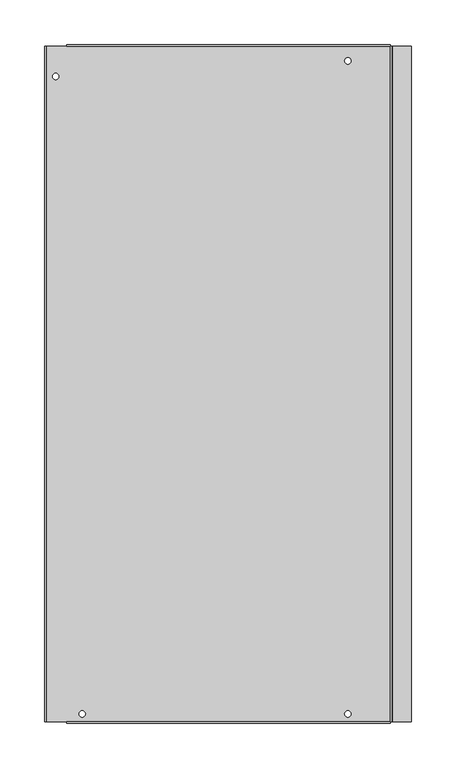
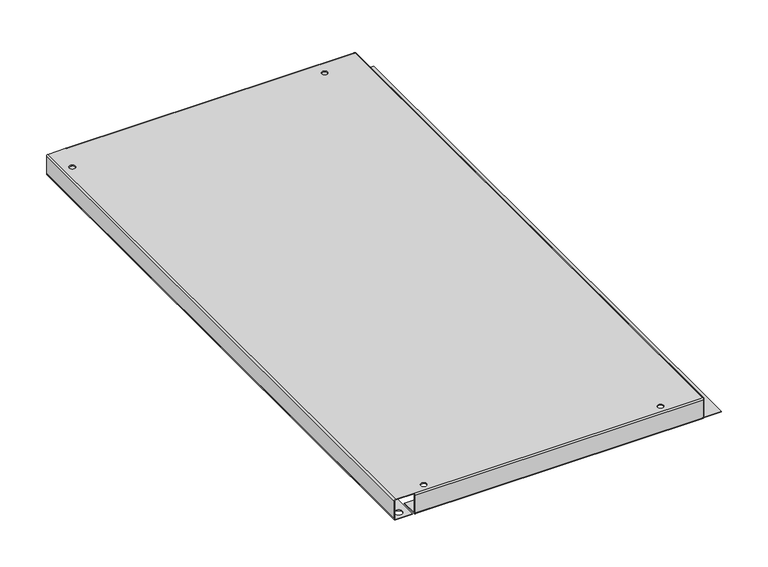
"""IFC4 building model written with IfcOpenShell, lengths in millimetres: proxy geometry."""

from ifc_helpers import new_model, si_unit, frame, origin, place, context, project, spatial, polyline, circle_curve, source, transform, mapped, element, save
from ifc_brep_helpers import plane_surface, cylinder_surface, revolved_surface, advanced_brep


def generic_models_0dce1253(model_context):
    return source(origin(), model_context, "Body", "AdvancedBrep", [
        advanced_brep(
        [(-51.3556642, 735.5776579, -26.32456), (-51.3556642, 735.5776579, -25.47112), (-58.5946642, 735.5776579, -25.47112), (-58.5946642, 735.5776579, -26.32456), (-51.3556642, 735.5776579, 0.0), (-51.3556642, 735.5776579, 0.85344), (-58.5946642, 735.5776579, 0.85344), (-58.5946642, 735.5776579, 0.0), (-349.8018542, 2.5666779, -26.32456), (-349.8018542, 2.5666779, -25.47112), (-357.0408542, 2.5666779, -25.47112), (-357.0408542, 2.5666779, -26.32456), (-349.8018542, 2.5666779, 0.0), (-349.8018542, 2.5666779, 0.85344), (-357.0408542, 2.5666779, 0.85344), (-357.0408542, 2.5666779, 0.0), (-51.3518542, 2.5666779, -26.32456), (-51.3518542, 2.5666779, -25.47112), (-58.5908542, 2.5666779, -25.47112), (-58.5908542, 2.5666779, -26.32456), (-51.3518542, 2.5666779, 0.0), (-51.3518542, 2.5666779, 0.85344), (-58.5908542, 2.5666779, 0.85344), (-58.5908542, 2.5666779, 0.0), (-379.5985942, 718.1100779, -26.32456), (-379.5985942, 718.1100779, -25.47112), (-386.8375942, 718.1100779, -25.47112), (-386.8375942, 718.1100779, -26.32456), (-379.5985942, 718.1100779, 0.0), (-379.5985942, 718.1100779, 0.85344), (-386.8375942, 718.1100779, 0.85344), (-386.8375942, 718.1100779, 0.0), (-204.7780142, 2.0459779, -25.47112), (-204.7780142, 2.0459779, -26.32456), (-195.2530142, 2.0459779, -26.32456), (-195.2530142, 2.0459779, -25.47112), (-313.9878542, 4.5859779, -25.47112), (-313.9878542, 4.5859779, -26.32456), (-304.4628542, 4.5859779, -26.32456), (-304.4628542, 4.5859779, -25.47112), (-389.5630142, 2.8892579, -25.47112), (-389.5630142, 2.8892579, -26.32456), (-380.0380142, 2.8892579, -26.32456), (-380.0380142, 2.8892579, -25.47112), (-385.9562142, 181.1134379, -25.47112), (-385.9562142, 181.1134379, -26.32456), (-376.4312142, 181.1134379, -26.32456), (-376.4312142, 181.1134379, -25.47112), (-389.5630142, 403.6631579, -25.47112), (-389.5630142, 403.6631579, -26.32456), (-380.0380142, 403.6631579, -26.32456), (-380.0380142, 403.6631579, -25.47112), (-339.6968295, 738.7399579, -25.47112), (-339.6968295, 738.7399579, -26.32456), (-330.1718295, 738.7399579, -26.32456), (-330.1718295, 738.7399579, -25.47112), (-197.4568295, 738.7399579, -25.47112), (-197.4568295, 738.7399579, -26.32456), (-187.9318295, 738.7399579, -26.32456), (-187.9318295, 738.7399579, -25.47112), (-389.5630142, 735.2601579, -25.47112), (-389.5630142, 735.2601579, -26.32456), (-380.0380142, 735.2601579, -26.32456), (-380.0380142, 735.2601579, -25.47112), (-268.5768295, 738.7399579, -25.47112), (-268.5768295, 738.7399579, -26.32456), (-259.0518295, 738.7399579, -26.32456), (-259.0518295, 738.7399579, -25.47112), (-385.9562142, 54.1134379, -25.47112), (-385.9562142, 54.1134379, -26.32456), (-376.4312142, 54.1134379, -26.32456), (-376.4312142, 54.1134379, -25.47112), (-334.3180142, 2.0459779, -25.47112), (-334.3180142, 2.0459779, -26.32456), (-324.7930142, 2.0459779, -26.32456), (-324.7930142, 2.0459779, -25.47112), (-225.0878542, 4.5859779, -25.47112), (-225.0878542, 4.5859779, -26.32456), (-215.5628542, 4.5859779, -26.32456), (-215.5628542, 4.5859779, -25.47112), (-154.3209142, -1.0477421, -25.47112), (-154.3209142, -1.0477421, -26.32456), (-144.7959142, -1.0477421, -26.32456), (-144.7959142, -1.0477421, -25.47112), (-387.0230142, 351.2502579, -25.47112), (-387.0230142, 351.2502579, -26.32456), (-377.4980142, 351.2502579, -26.32456), (-377.4980142, 351.2502579, -25.47112), (-122.9932405, -1.5196573, -26.32456), (-132.4990719, -5.4490373, -26.32456), (-132.4990719, -5.4490373, -25.47112), (-122.9932405, -1.5196573, -25.47112), (-136.1377565, 3.3535532, -26.32456), (-126.6319251, 7.2829332, -26.32456), (-126.6319251, 7.2829332, -25.47112), (-136.1377565, 3.3535532, -25.47112), (-7.1482342, -6.4249221, -26.32456), (-370.7390742, -6.4249221, -26.32456), (-370.7390742, 14.7281979, -26.32456), (-7.1482342, 14.7281979, -26.32456), (-386.8089848, 365.4926047, -26.32456), (-389.3438, 373.659886, -26.32456), (-389.3438, 373.659886, -25.47112), (-386.8089848, 365.4926047, -25.47112), (-129.6432087, 735.9899454, -26.32456), (-129.6432087, 735.9899454, -25.47112), (-129.5788551, 731.0335979, -25.47112), (-129.5788551, 731.0335979, -26.32456), (-120.0543138, 735.2576179, -26.32456), (-120.0543138, 731.0335979, -26.32456), (-120.0543138, 731.0335979, -25.47112), (-120.0543138, 735.2576179, -25.47112), (-111.8648142, 731.0335979, -26.32456), (-111.8648142, 736.1135979, -26.32456), (-111.8648142, 736.1135979, -25.47112), (-111.8648142, 731.0335979, -25.47112), (-102.3398142, 736.1135979, -26.32456), (-102.3398142, 731.0335979, -26.32456), (-102.3398142, 731.0335979, -25.47112), (-102.3398142, 736.1135979, -25.47112), (-380.2520488, 376.499848, -26.32456), (-377.7120488, 368.315968, -26.32456), (-377.7120488, 368.315968, -25.47112), (-380.2520488, 376.499848, -25.47112), (-120.1202729, 736.0474977, -26.32456), (-120.1202729, 736.0474977, -25.47112), (-7.1482342, 731.0335979, -26.32456), (-7.1482342, 731.0335979, -25.47112), (-7.1482342, 752.1867179, -25.47112), (-370.7390742, 752.1867179, -25.47112), (-370.7390742, 731.0335979, -25.47112), (-394.1070742, -6.4249221, -26.32456), (-394.1070742, 752.1867179, -26.32456), (-372.9539542, 752.1867179, -26.32456), (-372.9539542, -6.4249221, -26.32456), (-394.1070742, 752.1867179, -25.47112), (-394.1070742, -6.4249221, -25.47112), (-372.9539542, -6.4249221, -25.47112), (-372.9539542, 752.1867179, -25.47112), (-4.5879142, 752.1867179, -26.32456), (-4.5879142, -6.4249221, -26.32456), (-6.2947942, -6.4249221, -24.61768), (-6.2947942, 752.1867179, -24.61768), (-4.5879142, 752.1867179, -25.47112), (16.5652058, 752.1867179, -25.47112), (16.5652058, 752.1867179, -26.32456), (-4.5879142, -6.4249221, -25.47112), (16.5652058, -6.4249221, -25.47112), (-5.4413542, -6.4249221, -24.61768), (-5.4413542, 752.1867179, -24.61768), (16.5652058, -6.4249221, -26.32456), (-6.2947942, 752.1867179, -0.85344), (-7.1482342, 752.1867179, 0.0), (-7.1482342, 752.1867179, 0.85344), (-5.4413542, 752.1867179, -0.85344), (-6.2947942, -6.4249221, -0.85344), (-7.1482342, -8.1318021, -24.61768), (-370.7390742, -8.1318021, -24.61768), (-370.7390742, -6.4249221, -25.47112), (-370.7390742, 14.7281979, -25.47112), (-7.1482342, -6.4249221, -25.47112), (-7.1482342, 14.7281979, -25.47112), (-7.1482342, -7.2783621, -24.61768), (-370.7390742, -7.2783621, -24.61768), (-7.1482342, 752.1867179, -26.32456), (-370.7390742, 752.1867179, -26.32456), (-370.7390742, 753.8935979, -24.61768), (-7.1482342, 753.8935979, -24.61768), (-370.7390742, 753.0401579, -24.61768), (-7.1482342, 753.0401579, -24.61768), (-370.7390742, 731.0335979, -26.32456), (-395.8139542, -6.4249221, -24.61768), (-395.8139542, 752.1867179, -24.61768), (-394.9605142, -6.4249221, -24.61768), (-394.9605142, 752.1867179, -24.61768), (-370.7390742, -7.2783621, -0.85344), (-7.1482342, -7.2783621, -0.85344), (-7.1482342, 753.8935979, -0.85344), (-7.1482342, 753.0401579, -0.85344), (-370.7390742, 753.8935979, -0.85344), (-394.9605142, -6.4249221, -0.85344), (-394.1070742, -6.4249221, 0.0), (-370.7390742, -6.4249221, 0.0), (-370.7390742, -6.4249221, 0.85344), (-394.1070742, -6.4249221, 0.85344), (-395.8139542, -6.4249221, -0.85344), (-394.9605142, 752.1867179, -0.85344), (-395.8139542, 752.1867179, -0.85344), (-394.1070742, 752.1867179, 0.85344), (-370.7390742, 752.1867179, 0.85344), (-370.7390742, 752.1867179, 0.0), (-394.1070742, 752.1867179, 0.0), (-370.7390742, 753.0401579, -0.85344), (-370.7390742, -8.1318021, -0.85344), (-7.1482342, -6.4249221, 0.0), (-7.1482342, -8.1318021, -0.85344), (-7.1482342, -6.4249221, 0.85344), (-5.4413542, -6.4249221, -0.85344)],
        [
            (0, 1),
            (1, 2, circle_curve(frame((-54.9751642, 735.5776579, -25.47112), z_axis=(0.0, 0.0, 1.0), x_axis=(1.0, 0.0, 0.0)), 3.6195)),
            (2, 3),
            (3, 0, circle_curve(frame((-54.9751642, 735.5776579, -26.32456), z_axis=(0.0, 0.0, -1.0), x_axis=(1.0, 0.0, 0.0)), 3.6195)),
            (4, 5),
            (5, 6, circle_curve(frame((-54.9751642, 735.5776579, 0.85344), z_axis=(0.0, 0.0, 1.0), x_axis=(1.0, 0.0, 0.0)), 3.6195)),
            (6, 7),
            (7, 4, circle_curve(frame((-54.9751642, 735.5776579, 0.0), z_axis=(0.0, 0.0, -1.0), x_axis=(1.0, 0.0, 0.0)), 3.6195)),
            (8, 9),
            (9, 10, circle_curve(frame((-353.4213542, 2.5666779, -25.47112), z_axis=(0.0, 0.0, 1.0), x_axis=(1.0, 0.0, 0.0)), 3.6195)),
            (10, 11),
            (11, 8, circle_curve(frame((-353.4213542, 2.5666779, -26.32456), z_axis=(0.0, 0.0, -1.0), x_axis=(1.0, 0.0, 0.0)), 3.6195)),
            (12, 13),
            (13, 14, circle_curve(frame((-353.4213542, 2.5666779, 0.85344), z_axis=(0.0, 0.0, 1.0), x_axis=(1.0, 0.0, 0.0)), 3.6195)),
            (14, 15),
            (15, 12, circle_curve(frame((-353.4213542, 2.5666779, 0.0), z_axis=(0.0, 0.0, -1.0), x_axis=(1.0, 0.0, 0.0)), 3.6195)),
            (16, 17),
            (17, 18, circle_curve(frame((-54.9713542, 2.5666779, -25.47112), z_axis=(0.0, 0.0, 1.0), x_axis=(1.0, 0.0, 0.0)), 3.6195)),
            (18, 19),
            (19, 16, circle_curve(frame((-54.9713542, 2.5666779, -26.32456), z_axis=(0.0, 0.0, -1.0), x_axis=(1.0, 0.0, 0.0)), 3.6195)),
            (20, 21),
            (21, 22, circle_curve(frame((-54.9713542, 2.5666779, 0.85344), z_axis=(0.0, 0.0, 1.0), x_axis=(1.0, 0.0, 0.0)), 3.6195)),
            (22, 23),
            (23, 20, circle_curve(frame((-54.9713542, 2.5666779, 0.0), z_axis=(0.0, 0.0, -1.0), x_axis=(1.0, 0.0, 0.0)), 3.6195)),
            (24, 25),
            (25, 26, circle_curve(frame((-383.2180942, 718.1100779, -25.47112), z_axis=(0.0, 0.0, 1.0), x_axis=(1.0, 0.0, 0.0)), 3.6195)),
            (26, 27),
            (27, 24, circle_curve(frame((-383.2180942, 718.1100779, -26.32456), z_axis=(0.0, 0.0, -1.0), x_axis=(1.0, 0.0, 0.0)), 3.6195)),
            (28, 29),
            (29, 30, circle_curve(frame((-383.2180942, 718.1100779, 0.85344), z_axis=(0.0, 0.0, 1.0), x_axis=(1.0, 0.0, 0.0)), 3.6195)),
            (30, 31),
            (31, 28, circle_curve(frame((-383.2180942, 718.1100779, 0.0), z_axis=(0.0, 0.0, -1.0), x_axis=(1.0, 0.0, 0.0)), 3.6195)),
            (32, 33),
            (33, 34, circle_curve(frame((-200.0155142, 2.0459779, -26.32456), z_axis=(0.0, 0.0, -1.0), x_axis=(-1.0, 0.0, 0.0)), 4.7625)),
            (34, 35),
            (35, 32, circle_curve(frame((-200.0155142, 2.0459779, -25.47112), z_axis=(0.0, 0.0, 1.0), x_axis=(-1.0, 0.0, 0.0)), 4.7625)),
            (36, 37),
            (37, 38, circle_curve(frame((-309.2253542, 4.5859779, -26.32456), z_axis=(0.0, 0.0, -1.0), x_axis=(-1.0, 0.0, 0.0)), 4.7625)),
            (38, 39),
            (39, 36, circle_curve(frame((-309.2253542, 4.5859779, -25.47112), z_axis=(0.0, 0.0, 1.0), x_axis=(-1.0, 0.0, 0.0)), 4.7625)),
            (40, 41),
            (41, 42, circle_curve(frame((-384.8005142, 2.8892579, -26.32456), z_axis=(0.0, 0.0, -1.0), x_axis=(-1.0, 0.0, 0.0)), 4.7625)),
            (42, 43),
            (43, 40, circle_curve(frame((-384.8005142, 2.8892579, -25.47112), z_axis=(0.0, 0.0, 1.0), x_axis=(-1.0, 0.0, 0.0)), 4.7625)),
            (44, 45),
            (45, 46, circle_curve(frame((-381.1937142, 181.1134379, -26.32456), z_axis=(0.0, 0.0, -1.0), x_axis=(-1.0, 0.0, 0.0)), 4.7625)),
            (46, 47),
            (47, 44, circle_curve(frame((-381.1937142, 181.1134379, -25.47112), z_axis=(0.0, 0.0, 1.0), x_axis=(-1.0, 0.0, 0.0)), 4.7625)),
            (48, 49),
            (49, 50, circle_curve(frame((-384.8005142, 403.6631579, -26.32456), z_axis=(0.0, 0.0, -1.0), x_axis=(-1.0, 0.0, 0.0)), 4.7625)),
            (50, 51),
            (51, 48, circle_curve(frame((-384.8005142, 403.6631579, -25.47112), z_axis=(0.0, 0.0, 1.0), x_axis=(-1.0, 0.0, 0.0)), 4.7625)),
            (52, 53),
            (53, 54, circle_curve(frame((-334.9343295, 738.7399579, -26.32456), z_axis=(0.0, 0.0, -1.0), x_axis=(-1.0, 0.0, 0.0)), 4.7625)),
            (54, 55),
            (55, 52, circle_curve(frame((-334.9343295, 738.7399579, -25.47112), z_axis=(0.0, 0.0, 1.0), x_axis=(-1.0, 0.0, 0.0)), 4.7625)),
            (56, 57),
            (57, 58, circle_curve(frame((-192.6943295, 738.7399579, -26.32456), z_axis=(0.0, 0.0, -1.0), x_axis=(-1.0, 0.0, 0.0)), 4.7625)),
            (58, 59),
            (59, 56, circle_curve(frame((-192.6943295, 738.7399579, -25.47112), z_axis=(0.0, 0.0, 1.0), x_axis=(-1.0, 0.0, 0.0)), 4.7625)),
            (60, 61),
            (61, 62, circle_curve(frame((-384.8005142, 735.2601579, -26.32456), z_axis=(0.0, 0.0, -1.0), x_axis=(-1.0, 0.0, 0.0)), 4.7625)),
            (62, 63),
            (63, 60, circle_curve(frame((-384.8005142, 735.2601579, -25.47112), z_axis=(0.0, 0.0, 1.0), x_axis=(-1.0, 0.0, 0.0)), 4.7625)),
            (64, 65),
            (65, 66, circle_curve(frame((-263.8143295, 738.7399579, -26.32456), z_axis=(0.0, 0.0, -1.0), x_axis=(-1.0, 0.0, 0.0)), 4.7625)),
            (66, 67),
            (67, 64, circle_curve(frame((-263.8143295, 738.7399579, -25.47112), z_axis=(0.0, 0.0, 1.0), x_axis=(-1.0, 0.0, 0.0)), 4.7625)),
            (68, 69),
            (69, 70, circle_curve(frame((-381.1937142, 54.1134379, -26.32456), z_axis=(0.0, 0.0, -1.0), x_axis=(-1.0, 0.0, 0.0)), 4.7625)),
            (70, 71),
            (71, 68, circle_curve(frame((-381.1937142, 54.1134379, -25.47112), z_axis=(0.0, 0.0, 1.0), x_axis=(-1.0, 0.0, 0.0)), 4.7625)),
            (72, 73),
            (73, 74, circle_curve(frame((-329.5555142, 2.0459779, -26.32456), z_axis=(0.0, 0.0, -1.0), x_axis=(-1.0, 0.0, 0.0)), 4.7625)),
            (74, 75),
            (75, 72, circle_curve(frame((-329.5555142, 2.0459779, -25.47112), z_axis=(0.0, 0.0, 1.0), x_axis=(-1.0, 0.0, 0.0)), 4.7625)),
            (76, 77),
            (77, 78, circle_curve(frame((-220.3253542, 4.5859779, -26.32456), z_axis=(0.0, 0.0, -1.0), x_axis=(-1.0, 0.0, 0.0)), 4.7625)),
            (78, 79),
            (79, 76, circle_curve(frame((-220.3253542, 4.5859779, -25.47112), z_axis=(0.0, 0.0, 1.0), x_axis=(-1.0, 0.0, 0.0)), 4.7625)),
            (80, 81),
            (81, 82, circle_curve(frame((-149.5584142, -1.0477421, -26.32456), z_axis=(0.0, 0.0, -1.0), x_axis=(-1.0, 0.0, 0.0)), 4.7625)),
            (82, 83),
            (83, 80, circle_curve(frame((-149.5584142, -1.0477421, -25.47112), z_axis=(0.0, 0.0, 1.0), x_axis=(-1.0, 0.0, 0.0)), 4.7625)),
            (84, 85),
            (85, 86, circle_curve(frame((-382.2605142, 351.2502579, -26.32456), z_axis=(0.0, 0.0, -1.0), x_axis=(-1.0, 0.0, 0.0)), 4.7625)),
            (86, 87),
            (87, 84, circle_curve(frame((-382.2605142, 351.2502579, -25.47112), z_axis=(0.0, 0.0, 1.0), x_axis=(-1.0, 0.0, 0.0)), 4.7625)),
            (84, 87, circle_curve(frame((-382.2605142, 351.2502579, -25.47112), z_axis=(0.0, 0.0, 1.0), x_axis=(-1.0, 0.0, 0.0)), 4.7625)),
            (86, 85, circle_curve(frame((-382.2605142, 351.2502579, -26.32456), z_axis=(0.0, 0.0, -1.0), x_axis=(-1.0, 0.0, 0.0)), 4.7625)),
            (88, 89),
            (89, 90),
            (90, 91),
            (91, 88),
            (92, 93),
            (93, 94),
            (94, 95),
            (95, 92),
            (96, 97),
            (97, 98),
            (98, 99),
            (99, 96),
            (92, 89, circle_curve(frame((-134.3184142, -1.0477421, -26.32456), z_axis=(0.0, 0.0, 1.0), x_axis=(-1.0, 0.0, 0.0)), 4.7625)),
            (88, 93, circle_curve(frame((-124.8125828, 2.8816379, -26.32456), z_axis=(0.0, 0.0, 1.0), x_axis=(0.9241564797392856, 0.3820141371152269, 0.0)), 4.7625)),
            (11, 8, circle_curve(frame((-353.4213542, 2.5666779, -26.32456), z_axis=(0.0, 0.0, 1.0), x_axis=(1.0, 0.0, 0.0)), 3.6195)),
            (19, 16, circle_curve(frame((-54.9713542, 2.5666779, -26.32456), z_axis=(0.0, 0.0, 1.0), x_axis=(1.0, 0.0, 0.0)), 3.6195)),
            (33, 34, circle_curve(frame((-200.0155142, 2.0459779, -26.32456), z_axis=(0.0, 0.0, 1.0), x_axis=(-1.0, 0.0, 0.0)), 4.7625)),
            (37, 38, circle_curve(frame((-309.2253542, 4.5859779, -26.32456), z_axis=(0.0, 0.0, 1.0), x_axis=(-1.0, 0.0, 0.0)), 4.7625)),
            (73, 74, circle_curve(frame((-329.5555142, 2.0459779, -26.32456), z_axis=(0.0, 0.0, 1.0), x_axis=(-1.0, 0.0, 0.0)), 4.7625)),
            (77, 78, circle_curve(frame((-220.3253542, 4.5859779, -26.32456), z_axis=(0.0, 0.0, 1.0), x_axis=(-1.0, 0.0, 0.0)), 4.7625)),
            (81, 82, circle_curve(frame((-149.5584142, -1.0477421, -26.32456), z_axis=(0.0, 0.0, 1.0), x_axis=(-1.0, 0.0, 0.0)), 4.7625)),
            (95, 90, circle_curve(frame((-134.3184142, -1.0477421, -25.47112), z_axis=(0.0, 0.0, 1.0), x_axis=(-1.0, 0.0, 0.0)), 4.7625)),
            (100, 101),
            (101, 102),
            (102, 103),
            (103, 100),
            (104, 105),
            (105, 106),
            (106, 107),
            (107, 104),
            (108, 109),
            (109, 110),
            (110, 111),
            (111, 108),
            (112, 113),
            (113, 114),
            (114, 115),
            (115, 112),
            (116, 117),
            (117, 118),
            (118, 119),
            (119, 116),
            (120, 121),
            (121, 122),
            (122, 123),
            (123, 120),
            (104, 124, circle_curve(frame((-124.8823142, 736.1135979, -26.32456), z_axis=(0.0, 0.0, -1.0), x_axis=(-0.006043428876020268, 0.9999817383169658, 0.0)), 4.7625)),
            (124, 125),
            (125, 105, circle_curve(frame((-124.8823142, 736.1135979, -25.47112), z_axis=(0.0, 0.0, 1.0), x_axis=(-0.006043428876020268, 0.9999817383169658, 0.0)), 4.7625)),
            (117, 126),
            (126, 127),
            (127, 118),
            (119, 114, circle_curve(frame((-107.1023142, 736.1135979, -25.47112), z_axis=(0.0, 0.0, 1.0), x_axis=(-1.0, 0.0, 0.0)), 4.7625)),
            (113, 116, circle_curve(frame((-107.1023142, 736.1135979, -26.32456), z_axis=(0.0, 0.0, -1.0), x_axis=(-1.0, 0.0, 0.0)), 4.7625)),
            (125, 111, circle_curve(frame((-124.8168138, 735.2576179, -25.47112), z_axis=(0.0, 0.0, -1.0), x_axis=(-1.0, 0.0, 0.0)), 4.7625)),
            (110, 115),
            (127, 128),
            (128, 129),
            (129, 130),
            (130, 106),
            (1, 2, circle_curve(frame((-54.9751642, 735.5776579, -25.47112), z_axis=(0.0, 0.0, -1.0), x_axis=(1.0, 0.0, 0.0)), 3.6195)),
            (55, 52, circle_curve(frame((-334.9343295, 738.7399579, -25.47112), z_axis=(0.0, 0.0, -1.0), x_axis=(-1.0, 0.0, 0.0)), 4.7625)),
            (59, 56, circle_curve(frame((-192.6943295, 738.7399579, -25.47112), z_axis=(0.0, 0.0, -1.0), x_axis=(-1.0, 0.0, 0.0)), 4.7625)),
            (67, 64, circle_curve(frame((-263.8143295, 738.7399579, -25.47112), z_axis=(0.0, 0.0, -1.0), x_axis=(-1.0, 0.0, 0.0)), 4.7625)),
            (131, 132),
            (132, 133),
            (133, 134),
            (134, 131),
            (100, 121, circle_curve(frame((-382.2605142, 366.9042779, -26.32456), z_axis=(0.0, 0.0, 1.0), x_axis=(0.29641609223324233, -0.9550588988461257, 0.0)), 4.7625)),
            (120, 101, circle_curve(frame((-384.8005142, 375.0881579, -26.32456), z_axis=(0.0, 0.0, 1.0), x_axis=(-1.0, 0.0, 0.0)), 4.7625)),
            (27, 24, circle_curve(frame((-383.2180942, 718.1100779, -26.32456), z_axis=(0.0, 0.0, 1.0), x_axis=(1.0, 0.0, 0.0)), 3.6195)),
            (41, 42, circle_curve(frame((-384.8005142, 2.8892579, -26.32456), z_axis=(0.0, 0.0, 1.0), x_axis=(-1.0, 0.0, 0.0)), 4.7625)),
            (45, 46, circle_curve(frame((-381.1937142, 181.1134379, -26.32456), z_axis=(0.0, 0.0, 1.0), x_axis=(-1.0, 0.0, 0.0)), 4.7625)),
            (49, 50, circle_curve(frame((-384.8005142, 403.6631579, -26.32456), z_axis=(0.0, 0.0, 1.0), x_axis=(-1.0, 0.0, 0.0)), 4.7625)),
            (61, 62, circle_curve(frame((-384.8005142, 735.2601579, -26.32456), z_axis=(0.0, 0.0, 1.0), x_axis=(-1.0, 0.0, 0.0)), 4.7625)),
            (69, 70, circle_curve(frame((-381.1937142, 54.1134379, -26.32456), z_axis=(0.0, 0.0, 1.0), x_axis=(-1.0, 0.0, 0.0)), 4.7625)),
            (135, 136),
            (136, 137),
            (137, 138),
            (138, 135),
            (25, 26, circle_curve(frame((-383.2180942, 718.1100779, -25.47112), z_axis=(0.0, 0.0, -1.0), x_axis=(1.0, 0.0, 0.0)), 3.6195)),
            (43, 40, circle_curve(frame((-384.8005142, 2.8892579, -25.47112), z_axis=(0.0, 0.0, -1.0), x_axis=(-1.0, 0.0, 0.0)), 4.7625)),
            (47, 44, circle_curve(frame((-381.1937142, 181.1134379, -25.47112), z_axis=(0.0, 0.0, -1.0), x_axis=(-1.0, 0.0, 0.0)), 4.7625)),
            (51, 48, circle_curve(frame((-384.8005142, 403.6631579, -25.47112), z_axis=(0.0, 0.0, -1.0), x_axis=(-1.0, 0.0, 0.0)), 4.7625)),
            (63, 60, circle_curve(frame((-384.8005142, 735.2601579, -25.47112), z_axis=(0.0, 0.0, -1.0), x_axis=(-1.0, 0.0, 0.0)), 4.7625)),
            (71, 68, circle_curve(frame((-381.1937142, 54.1134379, -25.47112), z_axis=(0.0, 0.0, -1.0), x_axis=(-1.0, 0.0, 0.0)), 4.7625)),
            (102, 123, circle_curve(frame((-384.8005142, 375.0881579, -25.47112), z_axis=(0.0, 0.0, -1.0), x_axis=(-1.0, 0.0, 0.0)), 4.7625)),
            (122, 103, circle_curve(frame((-382.2605142, 366.9042779, -25.47112), z_axis=(0.0, 0.0, -1.0), x_axis=(0.29641609223324233, -0.9550588988461257, 0.0)), 4.7625)),
            (91, 94, circle_curve(frame((-124.8125828, 2.8816379, -25.47112), z_axis=(0.0, 0.0, 1.0), x_axis=(0.9241564797392856, 0.3820141371152269, 0.0)), 4.7625)),
            (124, 108, circle_curve(frame((-124.8168138, 735.2576179, -26.32456), z_axis=(0.0, 0.0, -1.0), x_axis=(-1.0, 0.0, 0.0)), 4.7625)),
            (109, 112),
            (80, 83, circle_curve(frame((-149.5584142, -1.0477421, -25.47112), z_axis=(0.0, 0.0, 1.0), x_axis=(-1.0, 0.0, 0.0)), 4.7625)),
            (76, 79, circle_curve(frame((-220.3253542, 4.5859779, -25.47112), z_axis=(0.0, 0.0, 1.0), x_axis=(-1.0, 0.0, 0.0)), 4.7625)),
            (72, 75, circle_curve(frame((-329.5555142, 2.0459779, -25.47112), z_axis=(0.0, 0.0, 1.0), x_axis=(-1.0, 0.0, 0.0)), 4.7625)),
            (66, 65, circle_curve(frame((-263.8143295, 738.7399579, -26.32456), z_axis=(0.0, 0.0, -1.0), x_axis=(-1.0, 0.0, 0.0)), 4.7625)),
            (58, 57, circle_curve(frame((-192.6943295, 738.7399579, -26.32456), z_axis=(0.0, 0.0, -1.0), x_axis=(-1.0, 0.0, 0.0)), 4.7625)),
            (54, 53, circle_curve(frame((-334.9343295, 738.7399579, -26.32456), z_axis=(0.0, 0.0, -1.0), x_axis=(-1.0, 0.0, 0.0)), 4.7625)),
            (36, 39, circle_curve(frame((-309.2253542, 4.5859779, -25.47112), z_axis=(0.0, 0.0, 1.0), x_axis=(-1.0, 0.0, 0.0)), 4.7625)),
            (32, 35, circle_curve(frame((-200.0155142, 2.0459779, -25.47112), z_axis=(0.0, 0.0, 1.0), x_axis=(-1.0, 0.0, 0.0)), 4.7625)),
            (28, 31, circle_curve(frame((-383.2180942, 718.1100779, 0.0), z_axis=(0.0, 0.0, -1.0), x_axis=(1.0, 0.0, 0.0)), 3.6195)),
            (30, 29, circle_curve(frame((-383.2180942, 718.1100779, 0.85344), z_axis=(0.0, 0.0, 1.0), x_axis=(1.0, 0.0, 0.0)), 3.6195)),
            (20, 23, circle_curve(frame((-54.9713542, 2.5666779, 0.0), z_axis=(0.0, 0.0, -1.0), x_axis=(1.0, 0.0, 0.0)), 3.6195)),
            (22, 21, circle_curve(frame((-54.9713542, 2.5666779, 0.85344), z_axis=(0.0, 0.0, 1.0), x_axis=(1.0, 0.0, 0.0)), 3.6195)),
            (18, 17, circle_curve(frame((-54.9713542, 2.5666779, -25.47112), z_axis=(0.0, 0.0, 1.0), x_axis=(1.0, 0.0, 0.0)), 3.6195)),
            (12, 15, circle_curve(frame((-353.4213542, 2.5666779, 0.0), z_axis=(0.0, 0.0, -1.0), x_axis=(1.0, 0.0, 0.0)), 3.6195)),
            (14, 13, circle_curve(frame((-353.4213542, 2.5666779, 0.85344), z_axis=(0.0, 0.0, 1.0), x_axis=(1.0, 0.0, 0.0)), 3.6195)),
            (10, 9, circle_curve(frame((-353.4213542, 2.5666779, -25.47112), z_axis=(0.0, 0.0, 1.0), x_axis=(1.0, 0.0, 0.0)), 3.6195)),
            (4, 7, circle_curve(frame((-54.9751642, 735.5776579, 0.0), z_axis=(0.0, 0.0, -1.0), x_axis=(1.0, 0.0, 0.0)), 3.6195)),
            (6, 5, circle_curve(frame((-54.9751642, 735.5776579, 0.85344), z_axis=(0.0, 0.0, 1.0), x_axis=(1.0, 0.0, 0.0)), 3.6195)),
            (0, 3, circle_curve(frame((-54.9751642, 735.5776579, -26.32456), z_axis=(0.0, 0.0, -1.0), x_axis=(1.0, 0.0, 0.0)), 3.6195)),
            (139, 140),
            (140, 141, circle_curve(frame((-4.5879142, -6.4249221, -24.61768), z_axis=(0.0, 1.0, 0.0), x_axis=(-1.0, 0.0, 0.0)), 1.70688)),
            (141, 142),
            (142, 139, circle_curve(frame((-4.5879142, 752.1867179, -24.61768), z_axis=(0.0, -1.0, 0.0), x_axis=(-1.0, 0.0, 0.0)), 1.70688)),
            (139, 143),
            (143, 144),
            (144, 145),
            (145, 139),
            (143, 146),
            (146, 147),
            (147, 144),
            (140, 146),
            (146, 148, circle_curve(frame((-4.5879142, -6.4249221, -24.61768), z_axis=(0.0, 1.0, 0.0), x_axis=(-1.0, 0.0, 0.0)), 0.85344)),
            (148, 141),
            (142, 149),
            (149, 143, circle_curve(frame((-4.5879142, 752.1867179, -24.61768), z_axis=(0.0, -1.0, 0.0), x_axis=(-1.0, 0.0, 0.0)), 0.85344)),
            (140, 150),
            (150, 147),
            (150, 145),
            (149, 148),
            (142, 151),
            (151, 152, circle_curve(frame((-7.1482342, 752.1867179, -0.85344), z_axis=(0.0, -1.0, 0.0), x_axis=(0.0, 0.0, 1.0)), 0.85344)),
            (152, 153),
            (153, 154, circle_curve(frame((-7.1482342, 752.1867179, -0.85344), z_axis=(0.0, 1.0, 0.0), x_axis=(0.0, 0.0, 1.0)), 1.70688)),
            (154, 149),
            (141, 155),
            (155, 151),
            (96, 156, circle_curve(frame((-7.1482342, -6.4249221, -24.61768), z_axis=(-1.0, 0.0, 0.0), x_axis=(0.0, -1.0, 0.0)), 1.70688)),
            (156, 157),
            (157, 97, circle_curve(frame((-370.7390742, -6.4249221, -24.61768), z_axis=(1.0, 0.0, 0.0), x_axis=(0.0, -1.0, 0.0)), 1.70688)),
            (97, 158),
            (158, 159),
            (159, 98),
            (158, 160),
            (160, 161),
            (161, 159),
            (96, 160),
            (160, 162, circle_curve(frame((-7.1482342, -6.4249221, -24.61768), z_axis=(-1.0, 0.0, 0.0), x_axis=(0.0, -1.0, 0.0)), 0.85344)),
            (162, 156),
            (157, 163),
            (163, 158, circle_curve(frame((-370.7390742, -6.4249221, -24.61768), z_axis=(1.0, 0.0, 0.0), x_axis=(0.0, -1.0, 0.0)), 0.85344)),
            (99, 161),
            (163, 162),
            (164, 165),
            (165, 166, circle_curve(frame((-370.7390742, 752.1867179, -24.61768), z_axis=(1.0, 0.0, 0.0), x_axis=(0.0, 1.0, 0.0)), 1.70688)),
            (166, 167),
            (167, 164, circle_curve(frame((-7.1482342, 752.1867179, -24.61768), z_axis=(-1.0, 0.0, 0.0), x_axis=(0.0, 1.0, 0.0)), 1.70688)),
            (164, 128),
            (126, 164),
            (165, 129),
            (129, 168, circle_curve(frame((-370.7390742, 752.1867179, -24.61768), z_axis=(1.0, 0.0, 0.0), x_axis=(0.0, 1.0, 0.0)), 0.85344)),
            (168, 166),
            (167, 169),
            (169, 128, circle_curve(frame((-7.1482342, 752.1867179, -24.61768), z_axis=(-1.0, 0.0, 0.0), x_axis=(0.0, 1.0, 0.0)), 0.85344)),
            (165, 170),
            (170, 130),
            (170, 107),
            (169, 168),
            (131, 171, circle_curve(frame((-394.1070742, -6.4249221, -24.61768), z_axis=(0.0, 1.0, 0.0), x_axis=(-1.0, 0.0, 0.0)), 1.70688)),
            (171, 172),
            (172, 132, circle_curve(frame((-394.1070742, 752.1867179, -24.61768), z_axis=(0.0, -1.0, 0.0), x_axis=(-1.0, 0.0, 0.0)), 1.70688)),
            (132, 135),
            (138, 133),
            (131, 136),
            (136, 173, circle_curve(frame((-394.1070742, -6.4249221, -24.61768), z_axis=(0.0, 1.0, 0.0), x_axis=(-1.0, 0.0, 0.0)), 0.85344)),
            (173, 171),
            (172, 174),
            (174, 135, circle_curve(frame((-394.1070742, 752.1867179, -24.61768), z_axis=(0.0, -1.0, 0.0), x_axis=(-1.0, 0.0, 0.0)), 0.85344)),
            (134, 137),
            (174, 173),
            (163, 175),
            (175, 176),
            (176, 162),
            (167, 177),
            (177, 178),
            (178, 169),
            (166, 179),
            (179, 177),
            (173, 180),
            (180, 181, circle_curve(frame((-394.1070742, -6.4249221, -0.85344), z_axis=(0.0, 1.0, 0.0), x_axis=(0.0, 0.0, 1.0)), 0.85344)),
            (181, 182),
            (182, 183),
            (183, 184),
            (184, 185, circle_curve(frame((-394.1070742, -6.4249221, -0.85344), z_axis=(0.0, -1.0, 0.0), x_axis=(0.0, 0.0, 1.0)), 1.70688)),
            (185, 171),
            (174, 186),
            (186, 180),
            (172, 187),
            (187, 188, circle_curve(frame((-394.1070742, 752.1867179, -0.85344), z_axis=(0.0, 1.0, 0.0), x_axis=(0.0, 0.0, 1.0)), 1.70688)),
            (188, 189),
            (189, 190),
            (190, 191),
            (191, 186, circle_curve(frame((-394.1070742, 752.1867179, -0.85344), z_axis=(0.0, -1.0, 0.0), x_axis=(0.0, 0.0, 1.0)), 0.85344)),
            (168, 192),
            (192, 190, circle_curve(frame((-370.7390742, 752.1867179, -0.85344), z_axis=(1.0, 0.0, 0.0), x_axis=(0.0, 0.0, 1.0)), 0.85344)),
            (189, 179, circle_curve(frame((-370.7390742, 752.1867179, -0.85344), z_axis=(-1.0, 0.0, 0.0), x_axis=(0.0, 0.0, 1.0)), 1.70688)),
            (157, 193),
            (193, 183, circle_curve(frame((-370.7390742, -6.4249221, -0.85344), z_axis=(-1.0, 0.0, 0.0), x_axis=(0.0, 0.0, 1.0)), 1.70688)),
            (182, 175, circle_curve(frame((-370.7390742, -6.4249221, -0.85344), z_axis=(1.0, 0.0, 0.0), x_axis=(0.0, 0.0, 1.0)), 0.85344)),
            (189, 153),
            (153, 177, circle_curve(frame((-7.1482342, 752.1867179, -0.85344), z_axis=(-1.0, 0.0, 0.0), x_axis=(0.0, 0.0, 1.0)), 1.70688)),
            (182, 194),
            (194, 176, circle_curve(frame((-7.1482342, -6.4249221, -0.85344), z_axis=(1.0, 0.0, 0.0), x_axis=(0.0, 0.0, 1.0)), 0.85344)),
            (193, 195),
            (195, 196, circle_curve(frame((-7.1482342, -6.4249221, -0.85344), z_axis=(-1.0, 0.0, 0.0), x_axis=(0.0, 0.0, 1.0)), 1.70688)),
            (196, 183),
            (195, 176),
            (194, 196),
            (195, 156),
            (178, 192),
            (152, 178, circle_curve(frame((-7.1482342, 752.1867179, -0.85344), z_axis=(-1.0, 0.0, 0.0), x_axis=(0.0, 0.0, 1.0)), 0.85344)),
            (152, 190),
            (184, 188),
            (187, 185),
            (155, 194, circle_curve(frame((-7.1482342, -6.4249221, -0.85344), z_axis=(0.0, -1.0, 0.0), x_axis=(0.0, 0.0, 1.0)), 0.85344)),
            (194, 152),
            (196, 197, circle_curve(frame((-7.1482342, -6.4249221, -0.85344), z_axis=(0.0, 1.0, 0.0), x_axis=(0.0, 0.0, 1.0)), 1.70688)),
            (197, 154),
            (153, 196),
            (191, 181),
            (148, 197),
        ],
        [
            revolved_surface(polyline([(-51.3556642, 735.5776579, -25.47112000000004), (-51.3556642, 735.5776579, -26.32456000000002)]), (-54.9751642, 735.5776579, -866.0248245), (0.0, 0.0, 1.0)),
            revolved_surface(polyline([(-51.3556642, 735.5776579, 0.8534399999999778), (-51.3556642, 735.5776579, 0.0)]), (-54.9751642, 735.5776579, -866.0248245), (0.0, 0.0, 1.0)),
            revolved_surface(polyline([(-349.8018542, 2.5666779, -25.47112000000004), (-349.8018542, 2.5666779, -26.32456000000002)]), (-353.4213542, 2.5666779, -866.0248245), (0.0, 0.0, 1.0)),
            revolved_surface(polyline([(-349.8018542, 2.5666779, 0.8534399999999778), (-349.8018542, 2.5666779, 0.0)]), (-353.4213542, 2.5666779, -866.0248245), (0.0, 0.0, 1.0)),
            revolved_surface(polyline([(-51.3518542, 2.5666779, -25.47112000000004), (-51.3518542, 2.5666779, -26.32456000000002)]), (-54.9713542, 2.5666779, -866.0248245), (0.0, 0.0, 1.0)),
            revolved_surface(polyline([(-51.3518542, 2.5666779, 0.8534399999999778), (-51.3518542, 2.5666779, 0.0)]), (-54.9713542, 2.5666779, -866.0248245), (0.0, 0.0, 1.0)),
            revolved_surface(polyline([(-379.5985942, 718.1100779, -25.47112000000004), (-379.5985942, 718.1100779, -26.32456000000002)]), (-383.2180942, 718.1100779, -866.0248245), (0.0, 0.0, 1.0)),
            revolved_surface(polyline([(-379.5985942, 718.1100779, 0.8534399999999778), (-379.5985942, 718.1100779, 0.0)]), (-383.2180942, 718.1100779, -866.0248245), (0.0, 0.0, 1.0)),
            revolved_surface(polyline([(-204.7780142, 2.0459779, -26.32456), (-204.7780142, 2.0459779, -25.47112)]), (-200.0155142, 2.0459779, -25.89784), (0.0, 0.0, -1.0)),
            revolved_surface(polyline([(-313.9878542, 4.5859779, -26.32456), (-313.9878542, 4.5859779, -25.47112)]), (-309.2253542, 4.5859779, -25.89784), (0.0, 0.0, -1.0)),
            revolved_surface(polyline([(-389.5630142, 2.8892579, -26.32456), (-389.5630142, 2.8892579, -25.47112)]), (-384.8005142, 2.8892579, -25.89784), (0.0, 0.0, -1.0)),
            revolved_surface(polyline([(-385.9562142, 181.1134379, -26.32456), (-385.9562142, 181.1134379, -25.47112)]), (-381.1937142, 181.1134379, -25.89784), (0.0, 0.0, -1.0)),
            revolved_surface(polyline([(-389.5630142, 403.6631579, -26.32456), (-389.5630142, 403.6631579, -25.47112)]), (-384.8005142, 403.6631579, -25.89784), (0.0, 0.0, -1.0)),
            revolved_surface(polyline([(-339.6968295, 738.7399579, -26.32456), (-339.6968295, 738.7399579, -25.47112)]), (-334.9343295, 738.7399579, -25.89784), (0.0, 0.0, -1.0)),
            revolved_surface(polyline([(-197.4568295, 738.7399579, -26.32456), (-197.4568295, 738.7399579, -25.47112)]), (-192.6943295, 738.7399579, -25.89784), (0.0, 0.0, -1.0)),
            revolved_surface(polyline([(-389.5630142, 735.2601579, -26.32456), (-389.5630142, 735.2601579, -25.47112)]), (-384.8005142, 735.2601579, -25.89784), (0.0, 0.0, -1.0)),
            revolved_surface(polyline([(-268.5768295, 738.7399579, -26.32456), (-268.5768295, 738.7399579, -25.47112)]), (-263.8143295, 738.7399579, -25.89784), (0.0, 0.0, -1.0)),
            revolved_surface(polyline([(-385.9562142, 54.1134379, -26.32456), (-385.9562142, 54.1134379, -25.47112)]), (-381.1937142, 54.1134379, -25.89784), (0.0, 0.0, -1.0)),
            revolved_surface(polyline([(-334.3180142, 2.0459779, -26.32456), (-334.3180142, 2.0459779, -25.47112)]), (-329.5555142, 2.0459779, -25.89784), (0.0, 0.0, -1.0)),
            revolved_surface(polyline([(-225.08785419999998, 4.5859779, -26.32456), (-225.08785419999998, 4.5859779, -25.47112)]), (-220.3253542, 4.5859779, -25.89784), (0.0, 0.0, -1.0)),
            revolved_surface(polyline([(-154.32091419999998, -1.0477421, -26.32456), (-154.32091419999998, -1.0477421, -25.47112)]), (-149.5584142, -1.0477421, -25.89784), (0.0, 0.0, -1.0)),
            revolved_surface(polyline([(-387.0230142, 351.2502579, -26.32456), (-387.0230142, 351.2502579, -25.47112)]), (-382.2605142, 351.2502579, -25.89784), (0.0, 0.0, -1.0)),
            plane_surface(frame((-132.4990719, -5.4490373, -26.32456), z_axis=(-0.38201413711522714, 0.9241564797392855, 0.0), x_axis=(0.9241564797392855, 0.38201413711522714, 0.0))),
            plane_surface(frame((-126.6319251, 7.2829332, -26.32456), z_axis=(0.38201413711522747, -0.9241564797392855, 0.0), x_axis=(-0.9241564797392855, -0.38201413711522747, 0.0))),
            plane_surface(frame((-188.9436542, 3.18642, -26.32456), z_axis=(0.0, 0.0, -1.0), x_axis=(0.0, -1.0, 0.0))),
            revolved_surface(polyline([(-139.0809142, -1.0477421, -26.32456), (-139.0809142, -1.0477421, -25.47112)]), (-134.3184142, -1.0477421, -25.89784), (0.0, 0.0, -1.0)),
            plane_surface(frame((-389.3438, 373.659886, -26.32456), z_axis=(0.9550594479547225, 0.2964143229879768, 0.0), x_axis=(0.2964143229879768, -0.9550594479547225, 0.0))),
            plane_surface(frame((-129.5788551, 731.0335979, -26.32456), z_axis=(0.9999157175105823, 0.012982984067519831, 0.0), x_axis=(-0.012982984067519831, 0.9999157175105823, 0.0))),
            plane_surface(frame((-120.0543138, 735.2576179, -26.32456), z_axis=(-1.0, 0.0, 0.0), x_axis=(0.0, -1.0, 0.0))),
            plane_surface(frame((-111.8648142, 731.0335979, -26.32456), z_axis=(1.0, 0.0, 0.0), x_axis=(0.0, 1.0, 0.0))),
            plane_surface(frame((-102.3398142, 736.1135979, -26.32456), z_axis=(-1.0, 0.0, 0.0), x_axis=(0.0, -1.0, 0.0))),
            plane_surface(frame((-377.7120488, 368.315968, -26.32456), z_axis=(-0.9550583497342477, -0.2964178614775019, 0.0), x_axis=(-0.2964178614775019, 0.9550583497342477, 0.0))),
            revolved_surface(polyline([(-124.91109603002204, 740.8760109287344, -26.32456), (-124.91109603002204, 740.8760109287344, -25.47112)]), (-124.8823142, 736.1135979, -25.89784), (0.0, 0.0, -1.0000000000000002)),
            plane_surface(frame((-370.7390742, 731.0335979, -25.47112), z_axis=(0.0, -1.0, 0.0), x_axis=(-1.0, 0.0, 0.0))),
            revolved_surface(polyline([(-111.8648142, 736.1135979, -26.32456), (-111.8648142, 736.1135979, -25.47112)]), (-107.1023142, 736.1135979, -25.89784), (0.0, 0.0, -1.0)),
            plane_surface(frame((-188.9436542, 742.5753758, -25.47112), z_axis=(0.0, 0.0, 1.0), x_axis=(0.0, 1.0, 0.0))),
            plane_surface(frame((-384.4957321, 372.8808979, -26.32456), z_axis=(0.0, 0.0, -1.0), x_axis=(1.0, 0.0, 0.0))),
            plane_surface(frame((-384.4957321, 372.8808979, -25.47112), z_axis=(0.0, 0.0, 1.0), x_axis=(1.0, 0.0, 0.0))),
            revolved_surface(polyline([(-380.8488325607392, 362.35580989424534, -26.32456), (-380.8488325607392, 362.35580989424534, -25.47112)]), (-382.2605142, 366.9042779, -25.89784), (0.0, 0.0, -1.0000000000000002)),
            revolved_surface(polyline([(-120.41128756524165, 4.700980228011268, -26.32456), (-120.41128756524165, 4.700980228011268, -25.47112)]), (-124.8125828, 2.8816379, -25.89784), (0.0, 0.0, -1.0)),
            revolved_surface(polyline([(-129.5793138, 735.2576179, -26.32456), (-129.5793138, 735.2576179, -25.47112)]), (-124.8168138, 735.2576179, -25.89784), (0.0, 0.0, -1.0)),
            revolved_surface(polyline([(-389.5630142, 375.0881579, -26.32456), (-389.5630142, 375.0881579, -25.47112)]), (-384.8005142, 375.0881579, -25.89784), (0.0, 0.0, -1.0)),
            cylinder_surface(frame((-4.5879142, 372.8808979, -24.61768), z_axis=(0.0, -1.0, 0.0), x_axis=(-1.0, 0.0, 0.0)), 1.70688),
            plane_surface(frame((-4.5879142, 752.1867179, -25.47112), z_axis=(0.0, 1.0, 0.0), x_axis=(-1.0, 0.0, 0.0))),
            plane_surface(frame((5.0234279, 372.8808979, -25.47112), z_axis=(0.0, 0.0, 1.0), x_axis=(1.0, 0.0, 0.0))),
            plane_surface(frame((-4.5879142, -6.4249221, -25.47112), z_axis=(0.0, -1.0, 0.0), x_axis=(0.0, 0.0, -1.0))),
            plane_surface(frame((-4.5879142, 752.1867179, -26.32456), z_axis=(0.0, 1.0, 0.0), x_axis=(0.0, 0.0, 1.0))),
            plane_surface(frame((-4.5879142, -6.4249221, -25.47112), z_axis=(0.0, -1.0, 0.0), x_axis=(1.0, 0.0, 0.0))),
            plane_surface(frame((16.5652058, -6.4249221, -25.47112), z_axis=(1.0, 0.0, 0.0), x_axis=(0.0, 0.0, -1.0))),
            plane_surface(frame((5.0234279, 372.8808979, -26.32456), z_axis=(0.0, 0.0, -1.0), x_axis=(1.0, 0.0, 0.0))),
            revolved_surface(polyline([(-5.4413542, -6.424922100000003, -24.61768), (-5.4413542, 752.1867179, -24.61768)]), (-4.5879142, 372.8808979, -24.61768), (0.0, -1.0, 0.0)),
            plane_surface(frame((-6.2947942, 752.1867179, -0.85344), z_axis=(0.0, 1.0, 0.0), x_axis=(1.0, 0.0, 0.0))),
            plane_surface(frame((-6.2947942, 372.8808979, -12.6237821), z_axis=(-1.0, 0.0, 0.0), x_axis=(0.0, 0.0, -1.0))),
            cylinder_surface(frame((-188.9436542, -6.4249221, -24.61768), z_axis=(1.0, 0.0, 0.0), x_axis=(0.0, -1.0, 0.0)), 1.70688),
            plane_surface(frame((-370.7390742, -6.4249221, -25.47112), z_axis=(-1.0, 0.0, 0.0), x_axis=(0.0, -1.0, 0.0))),
            plane_surface(frame((-188.9436542, 3.18642, -25.47112), z_axis=(0.0, 0.0, 1.0), x_axis=(0.0, -1.0, 0.0))),
            plane_surface(frame((-7.1482342, -6.4249221, -25.47112), z_axis=(1.0, 0.0, 0.0), x_axis=(0.0, 0.0, -1.0))),
            plane_surface(frame((-370.7390742, -6.4249221, -26.32456), z_axis=(-1.0, 0.0, 0.0), x_axis=(0.0, 0.0, 1.0))),
            plane_surface(frame((-7.1482342, -6.4249221, -25.47112), z_axis=(1.0, 0.0, 0.0), x_axis=(0.0, 1.0, 0.0))),
            plane_surface(frame((-7.1482342, 14.7281979, -25.47112), z_axis=(0.0, 1.0, 0.0), x_axis=(-1.0, 0.0, 0.0))),
            revolved_surface(polyline([(-7.14823419999999, -7.2783621, -24.61768), (-370.7390742, -7.2783621, -24.61768)]), (-188.9436542, -6.4249221, -24.61768), (1.0, 0.0, 0.0)),
            cylinder_surface(frame((-188.9436542, 752.1867179, -24.61768), z_axis=(-1.0, 0.0, 0.0), x_axis=(0.0, 1.0, 0.0)), 1.70688),
            plane_surface(frame((-7.1482342, 752.1867179, -25.47112), z_axis=(1.0, 0.0, 0.0), x_axis=(0.0, -1.0, 0.0))),
            plane_surface(frame((-370.7390742, 752.1867179, -25.47112), z_axis=(-1.0, 0.0, 0.0), x_axis=(0.0, 0.0, 1.0))),
            plane_surface(frame((-7.1482342, 752.1867179, -26.32456), z_axis=(1.0, 0.0, 0.0), x_axis=(0.0, 0.0, -1.0))),
            plane_surface(frame((-370.7390742, 752.1867179, -25.47112), z_axis=(-1.0, 0.0, 0.0), x_axis=(0.0, 1.0, 0.0))),
            plane_surface(frame((-188.9436542, 742.5753758, -26.32456), z_axis=(0.0, 0.0, -1.0), x_axis=(0.0, 1.0, 0.0))),
            revolved_surface(polyline([(-370.7390742, 753.0401578999999, -24.61768), (-7.14823419999999, 753.0401578999999, -24.61768)]), (-188.9436542, 752.1867179, -24.61768), (-1.0, 0.0, 0.0)),
            cylinder_surface(frame((-394.1070742, 372.8808979, -24.61768), z_axis=(0.0, -1.0, 0.0), x_axis=(-1.0, 0.0, 0.0)), 1.70688),
            plane_surface(frame((-394.1070742, 752.1867179, -25.47112), z_axis=(0.0, 1.0, 0.0), x_axis=(-1.0, 0.0, 0.0))),
            plane_surface(frame((-394.1070742, -6.4249221, -25.47112), z_axis=(0.0, -1.0, 0.0), x_axis=(0.0, 0.0, -1.0))),
            plane_surface(frame((-394.1070742, 752.1867179, -26.32456), z_axis=(0.0, 1.0, 0.0), x_axis=(0.0, 0.0, 1.0))),
            plane_surface(frame((-394.1070742, -6.4249221, -25.47112), z_axis=(0.0, -1.0, 0.0), x_axis=(1.0, 0.0, 0.0))),
            plane_surface(frame((-372.9539542, -6.4249221, -25.47112), z_axis=(1.0, 0.0, 0.0), x_axis=(0.0, 0.0, -1.0))),
            revolved_surface(polyline([(-394.9605142, -6.424922100000003, -24.61768), (-394.9605142, 752.1867179, -24.61768)]), (-394.1070742, 372.8808979, -24.61768), (0.0, -1.0, 0.0)),
            plane_surface(frame((-200.6276542, -7.2783621, -12.6237821), z_axis=(0.0, 1.0, 0.0), x_axis=(1.0, 0.0, 0.0))),
            plane_surface(frame((-7.1482342, 753.0401579, -0.85344), z_axis=(1.0, 0.0, 0.0), x_axis=(0.0, -1.0, 0.0))),
            plane_surface(frame((-200.6276542, 753.8935979, -12.6237821), z_axis=(0.0, 1.0, 0.0), x_axis=(1.0, 0.0, 0.0))),
            plane_surface(frame((-394.9605142, -6.4249221, -0.85344), z_axis=(0.0, -1.0, 0.0), x_axis=(1.0, 0.0, 0.0))),
            plane_surface(frame((-394.9605142, 372.8808979, -12.6237821), z_axis=(1.0, 0.0, 0.0), x_axis=(0.0, 0.0, 1.0))),
            plane_surface(frame((-394.9605142, 752.1867179, -0.85344), z_axis=(0.0, 1.0, 0.0), x_axis=(-1.0, 0.0, 0.0))),
            plane_surface(frame((-370.7390742, 752.9963178, -0.0438402), z_axis=(-1.0, 0.0, 0.0), x_axis=(0.0, 0.0, -1.0))),
            plane_surface(frame((-370.7390742, -7.2345219, -0.0438402), z_axis=(-1.0, 0.0, 0.0), x_axis=(0.0, 0.0, -1.0))),
            cylinder_surface(frame((-200.6276542, 752.1867179, -0.85344), z_axis=(-1.0, 0.0, 0.0), x_axis=(0.0, 0.0, 1.0)), 1.70688),
            revolved_surface(polyline([(-7.14823419999999, -6.4249221, 0.0), (-370.7390742, -6.4249221, 0.0)]), (-200.6276542, -6.4249221, -0.85344), (1.0, 0.0, 0.0)),
            cylinder_surface(frame((-200.6276542, -6.4249221, -0.85344), z_axis=(1.0, 0.0, 0.0), x_axis=(0.0, 0.0, 1.0)), 1.70688),
            plane_surface(frame((-7.1482342, -7.2783621, -0.85344), z_axis=(1.0, 0.0, 0.0), x_axis=(0.0, 0.0, -1.0))),
            plane_surface(frame((-7.1482342, -7.2783621, -0.85344), z_axis=(1.0, 0.0, 0.0), x_axis=(0.0, 1.0, 0.0))),
            plane_surface(frame((-200.6276542, -8.1318021, -12.6237821), z_axis=(0.0, -1.0, 0.0), x_axis=(1.0, 0.0, 0.0))),
            plane_surface(frame((-200.6276542, 753.0401579, -12.6237821), z_axis=(0.0, -1.0, 0.0), x_axis=(1.0, 0.0, 0.0))),
            plane_surface(frame((-7.1482342, 753.8935979, -0.85344), z_axis=(1.0, 0.0, 0.0), x_axis=(0.0, 0.0, -1.0))),
            revolved_surface(polyline([(-370.7390742, 752.1867179, 0.0), (-7.14823419999999, 752.1867179, 0.0)]), (-200.6276542, 752.1867179, -0.85344), (-1.0, 0.0, 0.0)),
            cylinder_surface(frame((-394.1070742, 372.8808979, -0.85344), z_axis=(0.0, -1.0, 0.0), x_axis=(0.0, 0.0, 1.0)), 1.70688),
            revolved_surface(polyline([(-7.1482342, 752.1867179, 0.0), (-7.1482342, -6.424922100000003, 0.0)]), (-7.1482342, 372.8808979, -0.85344), (0.0, 1.0, 0.0)),
            cylinder_surface(frame((-7.1482342, 372.8808979, -0.85344), z_axis=(0.0, 1.0, 0.0), x_axis=(0.0, 0.0, 1.0)), 1.70688),
            revolved_surface(polyline([(-394.1070742, -6.424922100000003, 0.0), (-394.1070742, 752.1867179, 0.0)]), (-394.1070742, 372.8808979, -0.85344), (0.0, -1.0, 0.0)),
            plane_surface(frame((-200.6276542, 372.8808979, 0.85344), z_axis=(0.0, 0.0, 1.0), x_axis=(1.0, 0.0, 0.0))),
            plane_surface(frame((-200.6276542, 372.8808979, 0.0), z_axis=(0.0, 0.0, -1.0), x_axis=(1.0, 0.0, 0.0))),
            plane_surface(frame((-395.8139542, 372.8808979, -12.6237821), z_axis=(-1.0, 0.0, 0.0), x_axis=(0.0, 0.0, 1.0))),
            plane_surface(frame((-6.2947942, -6.4249221, -0.85344), z_axis=(0.0, -1.0, 0.0), x_axis=(-1.0, 0.0, 0.0))),
            plane_surface(frame((-5.4413542, 372.8808979, -12.6237821), z_axis=(1.0, 0.0, 0.0), x_axis=(0.0, 0.0, -1.0))),
        ],
        [
            (0, [[1, 2, 3, 4]]),
            (1, [[5, 6, 7, 8]]),
            (2, [[9, 10, 11, 12]]),
            (3, [[13, 14, 15, 16]]),
            (4, [[17, 18, 19, 20]]),
            (5, [[21, 22, 23, 24]]),
            (6, [[25, 26, 27, 28]]),
            (7, [[29, 30, 31, 32]]),
            (8, [[33, 34, 35, 36]]),
            (9, [[37, 38, 39, 40]]),
            (10, [[41, 42, 43, 44]]),
            (11, [[45, 46, 47, 48]]),
            (12, [[49, 50, 51, 52]]),
            (13, [[53, 54, 55, 56]]),
            (14, [[57, 58, 59, 60]]),
            (15, [[61, 62, 63, 64]]),
            (16, [[65, 66, 67, 68]]),
            (17, [[69, 70, 71, 72]]),
            (18, [[73, 74, 75, 76]]),
            (19, [[77, 78, 79, 80]]),
            (20, [[81, 82, 83, 84]]),
            (21, [[85, 86, 87, 88]]),
            (21, [[-85, 89, -87, 90]]),
            (22, [[91, 92, 93, 94]]),
            (23, [[95, 96, 97, 98]]),
            (24, [[99, 100, 101, 102], [-95, 103, -91, 104], [105, -12], [106, -20], [107, -34], [108, -38], [109, -74], [110, -78], [111, -82]]),
            (25, [[-98, 112, -92, -103]]),
            (26, [[113, 114, 115, 116]]),
            (27, [[117, 118, 119, 120]]),
            (28, [[121, 122, 123, 124]]),
            (29, [[125, 126, 127, 128]]),
            (30, [[129, 130, 131, 132]]),
            (31, [[133, 134, 135, 136]]),
            (32, [[-117, 137, 138, 139]]),
            (33, [[-130, 140, 141, 142]]),
            (34, [[-132, 143, -126, 144]]),
            (35, [[-118, -139, 145, -123, 146, -127, -143, -131, -142, 147, 148, 149, 150], [-2, 151], [-56, 152], [-60, 153], [-68, 154]]),
            (36, [[155, 156, 157, 158], [-90, -86], [-113, 159, -133, 160], [161, -28], [162, -42], [163, -46], [164, -50], [165, -62], [166, -70]]),
            (37, [[167, 168, 169, 170], [-26, 171], [-44, 172], [-48, 173], [-52, 174], [-64, 175], [-72, 176], [-88, -89], [-115, 177, -135, 178]]),
            (38, [[-116, -178, -134, -159]]),
            (39, [[-96, -104, -94, 179]]),
            (40, [[-124, -145, -138, 180]]),
            (41, [[-114, -160, -136, -177]]),
            (33, [[-122, 181, -128, -146]]),
            (20, [[-81, 182, -83, -111]]),
            (19, [[-77, 183, -79, -110]]),
            (18, [[-73, 184, -75, -109]]),
            (17, [[-69, -176, -71, -166]]),
            (16, [[-65, -154, -67, 185]]),
            (15, [[-61, -175, -63, -165]]),
            (14, [[-57, -153, -59, 186]]),
            (13, [[-53, -152, -55, 187]]),
            (12, [[-49, -174, -51, -164]]),
            (11, [[-45, -173, -47, -163]]),
            (10, [[-41, -172, -43, -162]]),
            (9, [[-37, 188, -39, -108]]),
            (8, [[-33, 189, -35, -107]]),
            (7, [[-29, 190, -31, 191]]),
            (6, [[-25, -161, -27, -171]]),
            (5, [[-21, 192, -23, 193]]),
            (4, [[-17, -106, -19, 194]]),
            (3, [[-13, 195, -15, 196]]),
            (2, [[-9, -105, -11, 197]]),
            (1, [[-5, 198, -7, 199]]),
            (0, [[-1, 200, -3, -151]]),
            (42, [[201, 202, 203, 204]]),
            (43, [[205, 206, 207, 208]]),
            (44, [[209, 210, 211, -206]]),
            (45, [[212, 213, 214, -202]]),
            (46, [[-205, -204, 215, 216]]),
            (47, [[-212, 217, 218, -210]]),
            (48, [[219, -207, -211, -218]]),
            (49, [[-201, -208, -219, -217]]),
            (50, [[-209, -216, 220, -213]]),
            (51, [[-215, 221, 222, 223, 224, 225]]),
            (52, [[-203, 226, 227, -221]]),
            (53, [[-99, 228, 229, 230]]),
            (54, [[231, 232, 233, -100]]),
            (55, [[234, 235, 236, -232], [-10, -197], [-18, -194], [-36, -189], [-40, -188], [-76, -184], [-80, -183], [-84, -182], [-97, -179, -93, -112]]),
            (56, [[237, 238, 239, -228]]),
            (57, [[-231, -230, 240, 241]]),
            (58, [[-237, -102, 242, -235]]),
            (59, [[-101, -233, -236, -242]]),
            (60, [[-234, -241, 243, -238]]),
            (61, [[244, 245, 246, 247]]),
            (62, [[248, -147, -141, 249]]),
            (63, [[250, 251, 252, -245]]),
            (64, [[-248, -247, 253, 254]]),
            (65, [[-250, 255, 256, -149]]),
            (33, [[-119, -150, -256, 257]]),
            (66, [[-120, -257, -255, -244, -249, -140, -129, -144, -125, -181, -121, -180, -137], [-185, -66], [-186, -58], [-187, -54], [-200, -4]]),
            (67, [[-148, -254, 258, -251]]),
            (68, [[-155, 259, 260, 261]]),
            (69, [[262, -170, 263, -156]]),
            (70, [[264, 265, 266, -259]]),
            (71, [[-262, -261, 267, 268]]),
            (72, [[-264, -158, 269, -168]]),
            (73, [[-157, -263, -169, -269]]),
            (74, [[-167, -268, 270, -265]]),
            (75, [[-243, 271, 272, 273]]),
            (76, [[-253, 274, 275, 276]]),
            (77, [[-246, 277, 278, -274]]),
            (78, [[-266, 279, 280, 281, 282, 283, 284, 285]]),
            (79, [[-270, 286, 287, -279]]),
            (80, [[-267, 288, 289, 290, 291, 292, 293, -286]]),
            (81, [[-252, 294, 295, -291, 296, -277]]),
            (82, [[-240, 297, 298, -282, 299, -271]]),
            (83, [[-296, 300, 301, -278]]),
            (84, [[-299, 302, 303, -272]]),
            (85, [[-298, 304, 305, 306]]),
            (86, [[307, -303, 308, -305]]),
            (87, [[-239, -273, -307, 309]]),
            (88, [[-229, -309, -304, -297]]),
            (89, [[-258, -276, 310, -294]]),
            (90, [[-275, -301, -223, 311]]),
            (91, [[-295, -310, -311, 312]]),
            (92, [[-284, 313, -289, 314]]),
            (93, [[315, 316, -222, -227]]),
            (94, [[317, 318, -224, 319]]),
            (95, [[-280, -287, -293, 320]]),
            (96, [[-283, -306, -319, -300, -290, -313], [-191, -30], [-193, -22], [-196, -14], [-199, -6]]),
            (97, [[-302, -281, -320, -292, -312, -316], [-190, -32], [-192, -24], [-195, -16], [-198, -8]]),
            (98, [[-260, -285, -314, -288]]),
            (99, [[-214, 321, -317, -308, -315, -226]]),
            (100, [[-220, -225, -318, -321]]),
        ],
    ),
    ])


if __name__ == "__main__":
    model = new_model("IFC4")
    model_context = context("Model", 3, world=origin())
    ifc_project = project(units=[si_unit("LENGTHUNIT", "METRE", prefix="MILLI")], contexts=[model_context])
    site = spatial("IfcSite", under=ifc_project)
    building = spatial("IfcBuilding", under=site)
    placement = place(None, origin())
    generic_models_shape = generic_models_0dce1253(model_context)
    element("IfcBuildingElementProxy", 1, Name="Generic Models", at=placement, inside=building, context=model_context, shape_type="MappedRepresentation", body=[
        mapped(generic_models_shape, transform((0.0, 0.0, 0.0), x_axis=(1.0, 0.0, 0.0), y_axis=(0.0, 1.0, 0.0), z_axis=(0.0, 0.0, 1.0))),
    ])
    save(model, "model.ifc")
